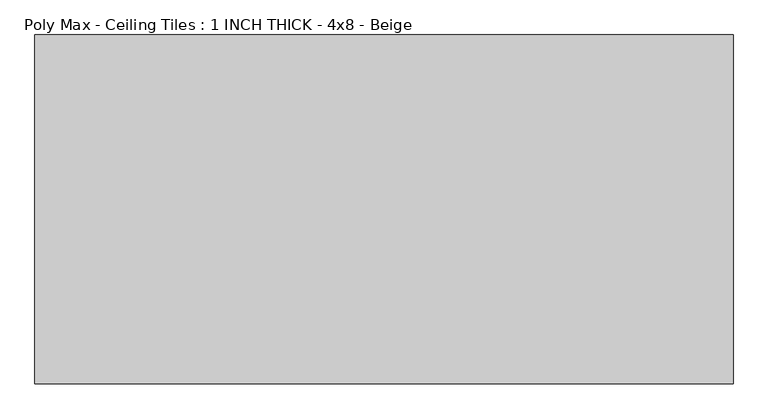
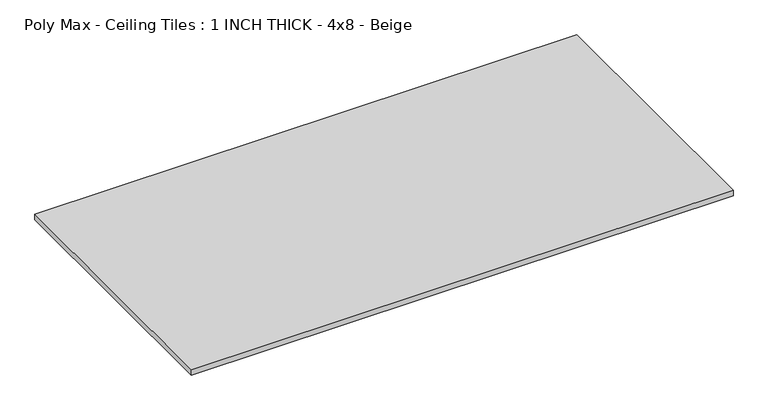
"""IFC4 building model written with IfcOpenShell, lengths in millimetres: proxy geometry, Poly Max - Ceiling Tiles : 1 INCH THICK - 4x8 - Beige."""

from ifc_helpers import new_model, si_unit, origin, origin_with_axes, place, context, project, spatial, polyline, outline, extrude, source, transform, mapped, element, save


def poly_max_ceiling_tiles_1_inch_thick_4x8_beige_11abb7a7(model_context):
    return source(origin(), model_context, "Body", "SweptSolid", [
        extrude(outline(polyline([(-1219.2, 609.6), (1219.2, 609.6), (1219.2, -609.6), (-1219.2, -609.6), (-1219.2, 609.6)])), origin_with_axes(), (0.0, 0.0, 1.0), 25.4),
    ])


if __name__ == "__main__":
    model = new_model("IFC4")
    model_context = context("Model", 3, world=origin())
    ifc_project = project(units=[si_unit("LENGTHUNIT", "METRE", prefix="MILLI")], contexts=[model_context])
    site = spatial("IfcSite", under=ifc_project)
    building = spatial("IfcBuilding", under=site)
    placement = place(None, origin())
    poly_max_ceiling_tiles_1_inch_thick_4x8_beige_shape = poly_max_ceiling_tiles_1_inch_thick_4x8_beige_11abb7a7(model_context)
    element("IfcBuildingElementProxy", 1, Name="Poly Max - Ceiling Tiles : 1 INCH THICK - 4x8 - Beige", ObjectType="Poly Max - Ceiling Tiles : 1 INCH THICK - 4x8 - Beige", at=placement, inside=building, context=model_context, shape_type="MappedRepresentation", body=[
        mapped(poly_max_ceiling_tiles_1_inch_thick_4x8_beige_shape, transform((0.0, 0.0, 0.0), x_axis=(1.0, 0.0, 0.0), y_axis=(0.0, 1.0, 0.0), z_axis=(0.0, 0.0, 1.0))),
    ])
    save(model, "model.ifc")
